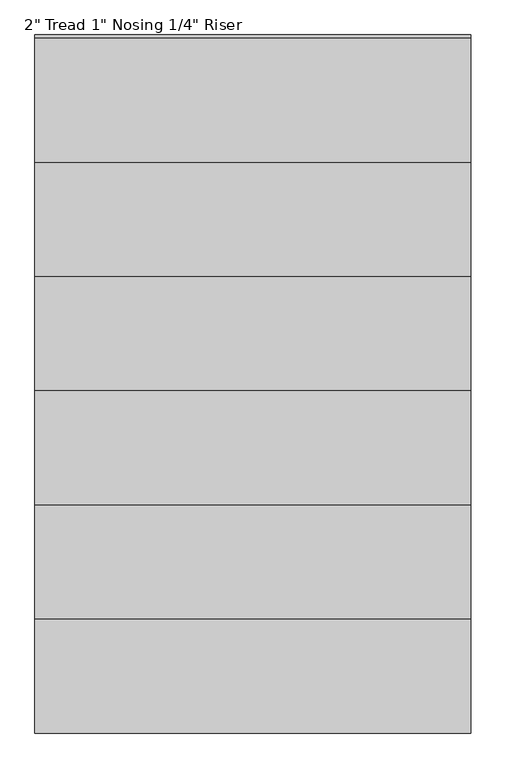
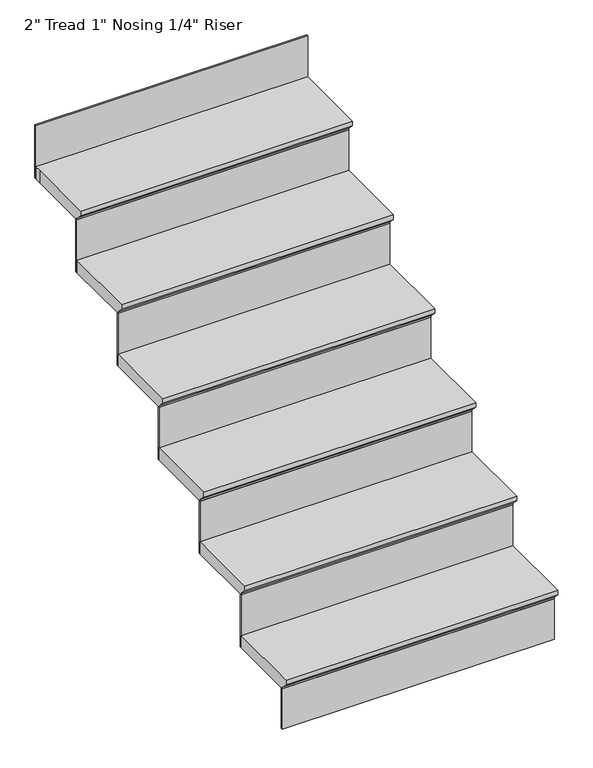
"""IFC4 building model written with IfcOpenShell, lengths in millimetres: stair flight geometry."""

from ifc_helpers import new_model, si_unit, origin, place, context, project, spatial, faceted_brep, source, transform, mapped, element, save


def stair_flight_35a2fa2f(model_context):
    return source(origin(), model_context, "Body", "Brep", [
        faceted_brep([(-1643.055103, 597.8572284, 219.9821429), (-576.255103, 597.8572284, 219.9821429), (-576.255103, 902.6572284, 219.9821429), (-1643.055103, 902.6572284, 219.9821429), (-1643.055103, 623.2572284, 169.1821429), (-1643.055103, 902.6572284, 169.1821429), (-576.255103, 902.6572284, 169.1821429), (-576.255103, 623.2572284, 169.1821429), (-1643.055103, 623.2572284, 175.5321429), (-1643.055103, 597.8572284, 200.9321429), (-576.255103, 623.2572284, 175.5321429), (-576.255103, 597.8572284, 200.9321429)], [[[0, 1, 2, 3]], [[4, 5, 6, 7]], [[0, 3, 5, 4, 8, 9]], [[4, 7, 10, 8]], [[2, 1, 11, 10, 7, 6]], [[3, 2, 6, 5]], [[11, 1, 0, 9]], [[10, 11, 9, 8]]]),
        faceted_brep([(-576.255103, 623.2572284, 169.1821429), (-576.255103, 623.2572284, 0.0), (-576.255103, 629.6072284, 0.0), (-576.255103, 629.6072284, 169.1821429), (-1643.055103, 623.2572284, 169.1821429), (-1643.055103, 629.6072284, 169.1821429), (-1643.055103, 629.6072284, 0.0), (-1643.055103, 623.2572284, 0.0)], [[[0, 1, 2, 3]], [[4, 5, 6, 7]], [[1, 0, 4, 7]], [[2, 1, 7, 6]], [[3, 2, 6, 5]], [[0, 3, 5, 4]]]),
        faceted_brep([(-1643.055103, 877.2572284, 439.9642857), (-576.255103, 877.2572284, 439.9642857), (-576.255103, 1182.0572284, 439.9642857), (-1643.055103, 1182.0572284, 439.9642857), (-1643.055103, 902.6572284, 389.1642857), (-1643.055103, 1182.0572284, 389.1642857), (-576.255103, 1182.0572284, 389.1642857), (-576.255103, 902.6572284, 389.1642857), (-1643.055103, 902.6572284, 395.5142857), (-1643.055103, 877.2572284, 420.9142857), (-576.255103, 902.6572284, 395.5142857), (-576.255103, 877.2572284, 420.9142857)], [[[0, 1, 2, 3]], [[4, 5, 6, 7]], [[0, 3, 5, 4, 8, 9]], [[4, 7, 10, 8]], [[2, 1, 11, 10, 7, 6]], [[3, 2, 6, 5]], [[11, 1, 0, 9]], [[10, 11, 9, 8]]]),
        faceted_brep([(-576.255103, 902.6572284, 389.1642857), (-576.255103, 902.6572284, 169.1821429), (-576.255103, 909.0072284, 169.1821429), (-576.255103, 909.0072284, 389.1642857), (-1643.055103, 902.6572284, 389.1642857), (-1643.055103, 909.0072284, 389.1642857), (-1643.055103, 909.0072284, 169.1821429), (-1643.055103, 902.6572284, 169.1821429)], [[[0, 1, 2, 3]], [[4, 5, 6, 7]], [[1, 0, 4, 7]], [[2, 1, 7, 6]], [[3, 2, 6, 5]], [[0, 3, 5, 4]]]),
        faceted_brep([(-1643.055103, 1156.6572284, 659.9464286), (-576.255103, 1156.6572284, 659.9464286), (-576.255103, 1461.4572284, 659.9464286), (-1643.055103, 1461.4572284, 659.9464286), (-1643.055103, 1182.0572284, 609.1464286), (-1643.055103, 1461.4572284, 609.1464286), (-576.255103, 1461.4572284, 609.1464286), (-576.255103, 1182.0572284, 609.1464286), (-1643.055103, 1182.0572284, 615.4964286), (-1643.055103, 1156.6572284, 640.8964286), (-576.255103, 1182.0572284, 615.4964286), (-576.255103, 1156.6572284, 640.8964286)], [[[0, 1, 2, 3]], [[4, 5, 6, 7]], [[0, 3, 5, 4, 8, 9]], [[4, 7, 10, 8]], [[2, 1, 11, 10, 7, 6]], [[3, 2, 6, 5]], [[11, 1, 0, 9]], [[10, 11, 9, 8]]]),
        faceted_brep([(-576.255103, 1182.0572284, 609.1464286), (-576.255103, 1182.0572284, 389.1642857), (-576.255103, 1188.4072284, 389.1642857), (-576.255103, 1188.4072284, 609.1464286), (-1643.055103, 1182.0572284, 609.1464286), (-1643.055103, 1188.4072284, 609.1464286), (-1643.055103, 1188.4072284, 389.1642857), (-1643.055103, 1182.0572284, 389.1642857)], [[[0, 1, 2, 3]], [[4, 5, 6, 7]], [[1, 0, 4, 7]], [[2, 1, 7, 6]], [[3, 2, 6, 5]], [[0, 3, 5, 4]]]),
        faceted_brep([(-1643.055103, 1436.0572284, 879.9285714), (-576.255103, 1436.0572284, 879.9285714), (-576.255103, 1740.8572284, 879.9285714), (-1643.055103, 1740.8572284, 879.9285714), (-1643.055103, 1461.4572284, 829.1285714), (-1643.055103, 1740.8572284, 829.1285714), (-576.255103, 1740.8572284, 829.1285714), (-576.255103, 1461.4572284, 829.1285714), (-1643.055103, 1461.4572284, 835.4785714), (-1643.055103, 1436.0572284, 860.8785714), (-576.255103, 1461.4572284, 835.4785714), (-576.255103, 1436.0572284, 860.8785714)], [[[0, 1, 2, 3]], [[4, 5, 6, 7]], [[0, 3, 5, 4, 8, 9]], [[4, 7, 10, 8]], [[2, 1, 11, 10, 7, 6]], [[3, 2, 6, 5]], [[11, 1, 0, 9]], [[10, 11, 9, 8]]]),
        faceted_brep([(-576.255103, 1461.4572284, 829.1285714), (-576.255103, 1461.4572284, 609.1464286), (-576.255103, 1467.8072284, 609.1464286), (-576.255103, 1467.8072284, 829.1285714), (-1643.055103, 1461.4572284, 829.1285714), (-1643.055103, 1467.8072284, 829.1285714), (-1643.055103, 1467.8072284, 609.1464286), (-1643.055103, 1461.4572284, 609.1464286)], [[[0, 1, 2, 3]], [[4, 5, 6, 7]], [[1, 0, 4, 7]], [[2, 1, 7, 6]], [[3, 2, 6, 5]], [[0, 3, 5, 4]]]),
        faceted_brep([(-1643.055103, 1715.4572284, 1099.9107143), (-576.255103, 1715.4572284, 1099.9107143), (-576.255103, 2020.2572284, 1099.9107143), (-1643.055103, 2020.2572284, 1099.9107143), (-1643.055103, 1740.8572284, 1049.1107143), (-1643.055103, 2020.2572284, 1049.1107143), (-576.255103, 2020.2572284, 1049.1107143), (-576.255103, 1740.8572284, 1049.1107143), (-1643.055103, 1740.8572284, 1055.4607143), (-1643.055103, 1715.4572284, 1080.8607143), (-576.255103, 1740.8572284, 1055.4607143), (-576.255103, 1715.4572284, 1080.8607143)], [[[0, 1, 2, 3]], [[4, 5, 6, 7]], [[0, 3, 5, 4, 8, 9]], [[4, 7, 10, 8]], [[2, 1, 11, 10, 7, 6]], [[3, 2, 6, 5]], [[11, 1, 0, 9]], [[10, 11, 9, 8]]]),
        faceted_brep([(-576.255103, 1740.8572284, 1049.1107143), (-576.255103, 1740.8572284, 829.1285714), (-576.255103, 1747.2072284, 829.1285714), (-576.255103, 1747.2072284, 1049.1107143), (-1643.055103, 1740.8572284, 1049.1107143), (-1643.055103, 1747.2072284, 1049.1107143), (-1643.055103, 1747.2072284, 829.1285714), (-1643.055103, 1740.8572284, 829.1285714)], [[[0, 1, 2, 3]], [[4, 5, 6, 7]], [[1, 0, 4, 7]], [[2, 1, 7, 6]], [[3, 2, 6, 5]], [[0, 3, 5, 4]]]),
        faceted_brep([(-1643.055103, 2299.6572284, 1319.8928571), (-1643.055103, 2274.2572284, 1319.8928571), (-1643.055103, 1994.8572284, 1319.8928571), (-576.255103, 1994.8572284, 1319.8928571), (-576.255103, 2274.2572284, 1319.8928571), (-576.255103, 2299.6572284, 1319.8928571), (-1643.055103, 2274.2572284, 1269.0928571), (-1643.055103, 2299.6572284, 1269.0928571), (-576.255103, 2299.6572284, 1269.0928571), (-576.255103, 2274.2572284, 1269.0928571), (-576.255103, 2020.2572284, 1269.0928571), (-1643.055103, 2020.2572284, 1269.0928571), (-576.255103, 2020.2572284, 1275.4428571), (-1643.055103, 2020.2572284, 1275.4428571), (-576.255103, 1994.8572284, 1300.8428571), (-1643.055103, 1994.8572284, 1300.8428571)], [[[0, 1, 2, 3, 4, 5]], [[6, 7, 8, 9, 10, 11]], [[1, 0, 7, 6]], [[11, 10, 12, 13]], [[4, 3, 14, 12, 10, 9]], [[0, 5, 8, 7]], [[2, 1, 6, 11, 13, 15]], [[5, 4, 9, 8]], [[14, 3, 2, 15]], [[12, 14, 15, 13]]]),
        faceted_brep([(-576.255103, 2020.2572284, 1269.0928571), (-576.255103, 2020.2572284, 1049.1107143), (-576.255103, 2026.6072284, 1049.1107143), (-576.255103, 2026.6072284, 1269.0928571), (-1643.055103, 2020.2572284, 1269.0928571), (-1643.055103, 2026.6072284, 1269.0928571), (-1643.055103, 2026.6072284, 1049.1107143), (-1643.055103, 2020.2572284, 1049.1107143)], [[[0, 1, 2, 3]], [[4, 5, 6, 7]], [[1, 0, 4, 7]], [[2, 1, 7, 6]], [[3, 2, 6, 5]], [[0, 3, 5, 4]]]),
        faceted_brep([(-576.255103, 2299.6572284, 1489.075), (-576.255103, 2299.6572284, 1269.0928571), (-576.255103, 2306.0072284, 1269.0928571), (-576.255103, 2306.0072284, 1489.075), (-1643.055103, 2299.6572284, 1489.075), (-1643.055103, 2306.0072284, 1489.075), (-1643.055103, 2306.0072284, 1269.0928571), (-1643.055103, 2299.6572284, 1269.0928571)], [[[0, 1, 2, 3]], [[4, 5, 6, 7]], [[1, 0, 4, 7]], [[2, 1, 7, 6]], [[3, 2, 6, 5]], [[0, 3, 5, 4]]]),
    ])


if __name__ == "__main__":
    model = new_model("IFC4")
    model_context = context("Model", 3, world=origin())
    ifc_project = project(units=[si_unit("LENGTHUNIT", "METRE", prefix="MILLI")], contexts=[model_context])
    site = spatial("IfcSite", under=ifc_project)
    building = spatial("IfcBuilding", under=site)
    placement = place(None, origin())
    stair_flight_shape = stair_flight_35a2fa2f(model_context)
    element("IfcStairFlight", 1, ObjectType="2\" Tread 1\" Nosing 1/4\" Riser", at=placement, inside=building, context=model_context, shape_type="MappedRepresentation", body=[
        mapped(stair_flight_shape, transform((0.0, 0.0, 0.0), x_axis=(1.0, 0.0, 0.0), y_axis=(0.0, 1.0, 0.0), z_axis=(0.0, 0.0, 1.0))),
    ])
    save(model, "model.ifc")
